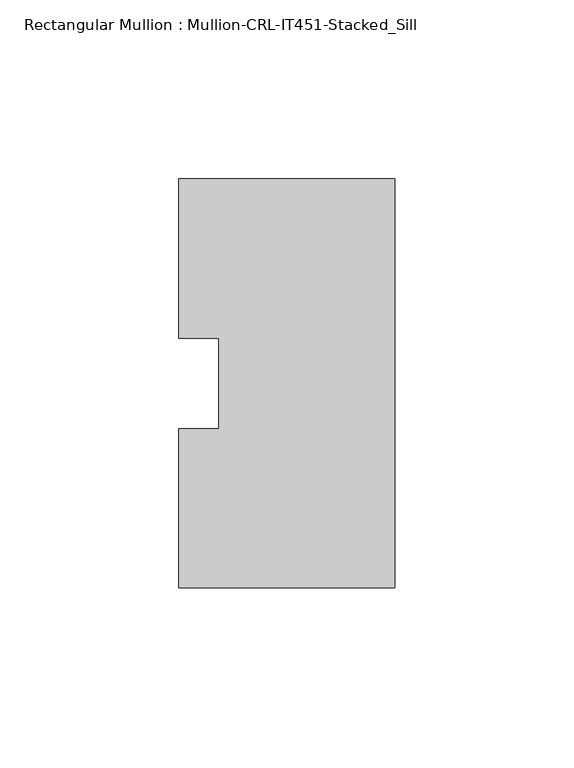
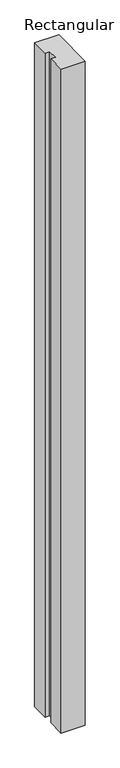
"""IFC4 building model written with IfcOpenShell, lengths in millimetres: member geometry, Rectangular Mullion : Mullion-CRL-IT451-Stacked_Sill."""

from ifc_helpers import new_model, si_unit, frame, origin, place, context, project, spatial, polyline, outline, extrude, source, transform, mapped, element, save


def rectangular_mullion_mullion_crl_it451_stacked_sill_2abb9f52(model_context):
    return source(origin(), model_context, "Body", "SweptSolid", [
        extrude(outline(polyline([(0.0, -57.15), (-60.325, -57.15), (-60.325, -12.7), (-49.2125, -12.7), (-49.2125, 12.7), (-60.325, 12.7), (-60.325, 57.15), (0.0, 57.15), (0.0, -57.15)])), frame((0.0, 0.0, -1752.6), z_axis=(0.0, 0.0, 1.0), x_axis=(1.0, 0.0, 0.0)), (0.0, 0.0, 1.0), 1752.6),
    ])


if __name__ == "__main__":
    model = new_model("IFC4")
    model_context = context("Model", 3, world=origin())
    ifc_project = project(units=[si_unit("LENGTHUNIT", "METRE", prefix="MILLI")], contexts=[model_context])
    site = spatial("IfcSite", under=ifc_project)
    building = spatial("IfcBuilding", under=site)
    placement = place(None, origin())
    rectangular_mullion_mullion_crl_it451_stacked_sill_shape = rectangular_mullion_mullion_crl_it451_stacked_sill_2abb9f52(model_context)
    element("IfcMember", 1, ObjectType="Rectangular Mullion : Mullion-CRL-IT451-Stacked_Sill", at=placement, inside=building, context=model_context, shape_type="MappedRepresentation", body=[
        mapped(rectangular_mullion_mullion_crl_it451_stacked_sill_shape, transform((0.0, 0.0, 0.0), x_axis=(1.0, 0.0, 0.0), y_axis=(0.0, 1.0, 0.0), z_axis=(0.0, 0.0, 1.0))),
    ])
    save(model, "model.ifc")
